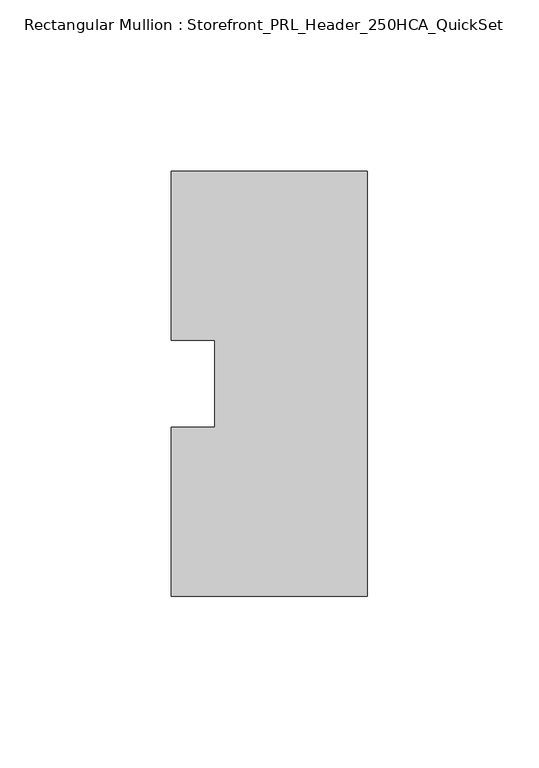
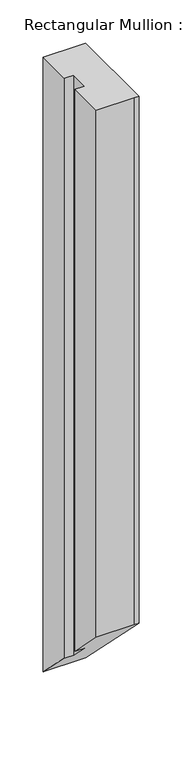
"""IFC4 building model written with IfcOpenShell, lengths in millimetres: member geometry, Rectangular Mullion : Storefront_PRL_Header_250HCA_QuickSet."""

from ifc_helpers import new_model, si_unit, origin, place, context, project, spatial, faceted_brep, source, transform, mapped, element, save


def rectangular_mullion_storefront_prl_header_250hca_quickset_4e1e97ed(model_context):
    return source(origin(), model_context, "Body", "Brep", [
        faceted_brep([(-44.45, -12.7, 0.0), (-57.15, -12.7, 0.0), (-57.15, -61.9125, 0.0), (-6.35, -61.9125, 0.0), (0.0, -61.9125, 0.0), (0.0, 61.9125, 0.0), (-7.7254924, 61.9125, 0.0), (-57.15, 61.9125, 0.0), (-57.15, 12.7, 0.0), (-44.45, 12.7, 0.0), (-44.45, -12.7, -795.8666667), (-57.15, -12.7, -795.8666667), (-57.15, -61.9125, -746.6541667), (-6.35, -61.9125, -746.6541667), (0.0, -61.9125, -746.6541667), (0.0, 61.9125, -870.4791667), (-7.7254924, 61.9125, -870.4791667), (-57.15, 61.9125, -870.4791667), (-57.15, 12.7, -821.2666667), (-44.45, 12.7, -821.2666667)], [[[0, 1, 2, 3, 4, 5, 6, 7, 8, 9]], [[1, 0, 10, 11]], [[2, 1, 11, 12]], [[3, 2, 12, 13]], [[4, 3, 13, 14]], [[5, 4, 14, 15]], [[6, 5, 15, 16]], [[7, 6, 16, 17]], [[8, 7, 17, 18]], [[9, 8, 18, 19]], [[0, 9, 19, 10]], [[10, 19, 18, 17, 16, 15, 14, 13, 12, 11]]]),
    ])


if __name__ == "__main__":
    model = new_model("IFC4")
    model_context = context("Model", 3, world=origin())
    ifc_project = project(units=[si_unit("LENGTHUNIT", "METRE", prefix="MILLI")], contexts=[model_context])
    site = spatial("IfcSite", under=ifc_project)
    building = spatial("IfcBuilding", under=site)
    placement = place(None, origin())
    rectangular_mullion_storefront_prl_header_250hca_quickset_shape = rectangular_mullion_storefront_prl_header_250hca_quickset_4e1e97ed(model_context)
    element("IfcMember", 1, ObjectType="Rectangular Mullion : Storefront_PRL_Header_250HCA_QuickSet", at=placement, inside=building, context=model_context, shape_type="MappedRepresentation", body=[
        mapped(rectangular_mullion_storefront_prl_header_250hca_quickset_shape, transform((0.0, 0.0, 0.0), x_axis=(1.0, 0.0, 0.0), y_axis=(0.0, 1.0, 0.0), z_axis=(0.0, 0.0, 1.0))),
    ])
    save(model, "model.ifc")
